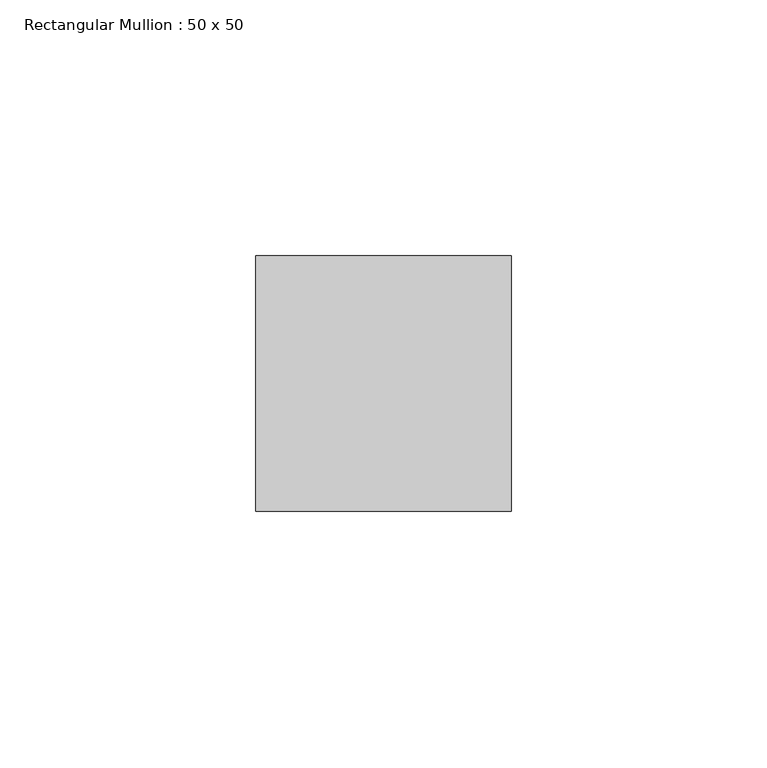
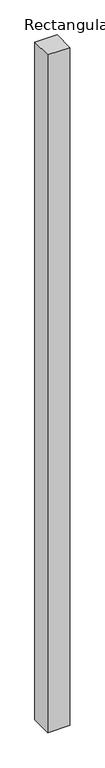
"""IFC4 building model written with IfcOpenShell, lengths in millimetres: member geometry, Rectangular Mullion : 50 x 50."""

from ifc_helpers import new_model, si_unit, frame, origin, place, context, project, spatial, polyline, outline, extrude, source, transform, mapped, element, save


def rectangular_mullion_50_x_50_2aa06c4b(model_context):
    return source(origin(), model_context, "Body", "SweptSolid", [
        extrude(outline(polyline([(25.0, 25.0), (25.0, -25.0), (-25.0, -25.0), (-25.0, 25.0), (25.0, 25.0)])), frame((0.0, 0.0, -1621.5302873), z_axis=(0.0, 0.0, 1.0), x_axis=(1.0, 0.0, 0.0)), (0.0, 0.0, 1.0), 1621.5302873),
    ])


if __name__ == "__main__":
    model = new_model("IFC4")
    model_context = context("Model", 3, world=origin())
    ifc_project = project(units=[si_unit("LENGTHUNIT", "METRE", prefix="MILLI")], contexts=[model_context])
    site = spatial("IfcSite", under=ifc_project)
    building = spatial("IfcBuilding", under=site)
    placement = place(None, origin())
    rectangular_mullion_50_x_50_shape = rectangular_mullion_50_x_50_2aa06c4b(model_context)
    element("IfcMember", 1, ObjectType="Rectangular Mullion : 50 x 50", at=placement, inside=building, context=model_context, shape_type="MappedRepresentation", body=[
        mapped(rectangular_mullion_50_x_50_shape, transform((0.0, 0.0, 0.0), x_axis=(1.0, 0.0, 0.0), y_axis=(0.0, 1.0, 0.0), z_axis=(0.0, 0.0, 1.0))),
    ])
    save(model, "model.ifc")
